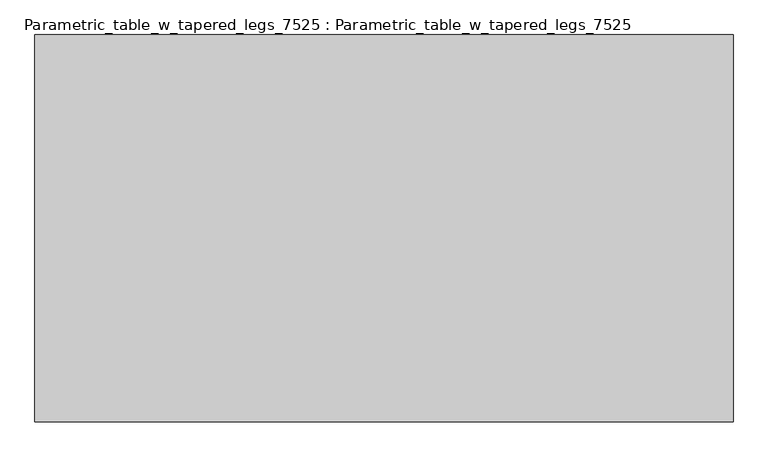
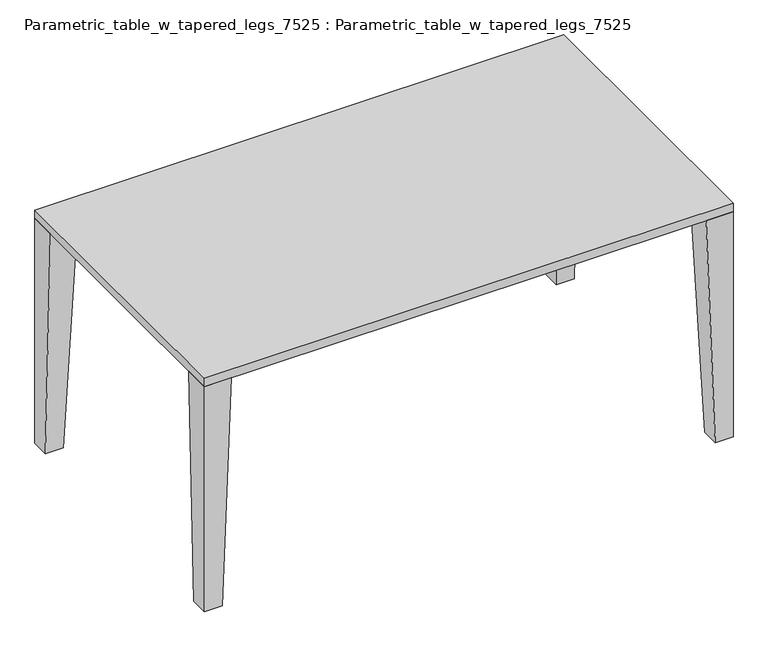
"""IFC4 building model written with IfcOpenShell, lengths in millimetres: furniture geometry, Parametric_table_w_tapered_legs_7525 : Parametric_table_w_tapered_legs_7525."""

from ifc_helpers import new_model, si_unit, frame, origin, place, context, project, spatial, polyline, outline, extrude, faceted_brep, source, transform, mapped, element, save


def parametric_table_w_tapered_legs_7525_parametric_table_w_c4f19a3e(model_context):
    return source(origin(), model_context, "Body", "SolidModel", [
        faceted_brep([(699.2, -416.2513358, 0.0), (699.2, -365.4513358, 0.0), (750.0, -365.4513358, 0.0), (750.0, -416.2513358, 0.0), (673.8, -416.2513358, 674.6), (750.0, -416.2513358, 674.6), (750.0, -340.0513358, 674.6), (673.8, -340.0513358, 674.6)], [[[0, 1, 2, 3]], [[4, 5, 6, 7]], [[4, 7, 1, 0]], [[7, 6, 2, 1]], [[6, 5, 3, 2]], [[5, 4, 0, 3]]]),
        faceted_brep([(-699.2, -416.2513358, 0.0), (-750.0, -416.2513358, 0.0), (-750.0, -365.4513358, 0.0), (-699.2, -365.4513358, 0.0), (-673.8, -416.2513358, 674.6), (-673.8, -340.0513358, 674.6), (-750.0, -340.0513358, 674.6), (-750.0, -416.2513358, 674.6)], [[[0, 1, 2, 3]], [[4, 5, 6, 7]], [[5, 4, 0, 3]], [[6, 5, 3, 2]], [[7, 6, 2, 1]], [[4, 7, 1, 0]]]),
        faceted_brep([(699.2, 416.2513358, 0.0), (750.0, 416.2513358, 0.0), (750.0, 365.4513358, 0.0), (699.2, 365.4513358, 0.0), (673.8, 416.2513358, 674.6), (673.8, 340.0513358, 674.6), (750.0, 340.0513358, 674.6), (750.0, 416.2513358, 674.6)], [[[0, 1, 2, 3]], [[4, 5, 6, 7]], [[5, 4, 0, 3]], [[6, 5, 3, 2]], [[7, 6, 2, 1]], [[4, 7, 1, 0]]]),
        faceted_brep([(-699.2, 416.2513358, 0.0), (-699.2, 365.4513358, 0.0), (-750.0, 365.4513358, 0.0), (-750.0, 416.2513358, 0.0), (-673.8, 416.2513358, 674.6), (-750.0, 416.2513358, 674.6), (-750.0, 340.0513358, 674.6), (-673.8, 340.0513358, 674.6)], [[[0, 1, 2, 3]], [[4, 5, 6, 7]], [[4, 7, 1, 0]], [[7, 6, 2, 1]], [[6, 5, 3, 2]], [[5, 4, 0, 3]]]),
        extrude(outline(polyline([(750.0, -416.2513358), (-750.0, -416.2513358), (-750.0, 416.2513358), (750.0, 416.2513358), (750.0, -416.2513358)])), frame((0.0, 0.0, 674.6), z_axis=(0.0, 0.0, 1.0), x_axis=(1.0, 0.0, 0.0)), (0.0, 0.0, 1.0), 25.4),
    ])


if __name__ == "__main__":
    model = new_model("IFC4")
    model_context = context("Model", 3, world=origin())
    ifc_project = project(units=[si_unit("LENGTHUNIT", "METRE", prefix="MILLI")], contexts=[model_context])
    site = spatial("IfcSite", under=ifc_project)
    building = spatial("IfcBuilding", under=site)
    placement = place(None, origin())
    parametric_table_w_tapered_legs_7525_parametric_table_w_shape = parametric_table_w_tapered_legs_7525_parametric_table_w_c4f19a3e(model_context)
    element("IfcFurniture", 1, ObjectType="Parametric_table_w_tapered_legs_7525 : Parametric_table_w_tapered_legs_7525", at=placement, inside=building, context=model_context, shape_type="MappedRepresentation", body=[
        mapped(parametric_table_w_tapered_legs_7525_parametric_table_w_shape, transform((0.0, 0.0, 0.0), x_axis=(1.0, 0.0, 0.0), y_axis=(0.0, 1.0, 0.0), z_axis=(0.0, 0.0, 1.0))),
    ])
    save(model, "model.ifc")
